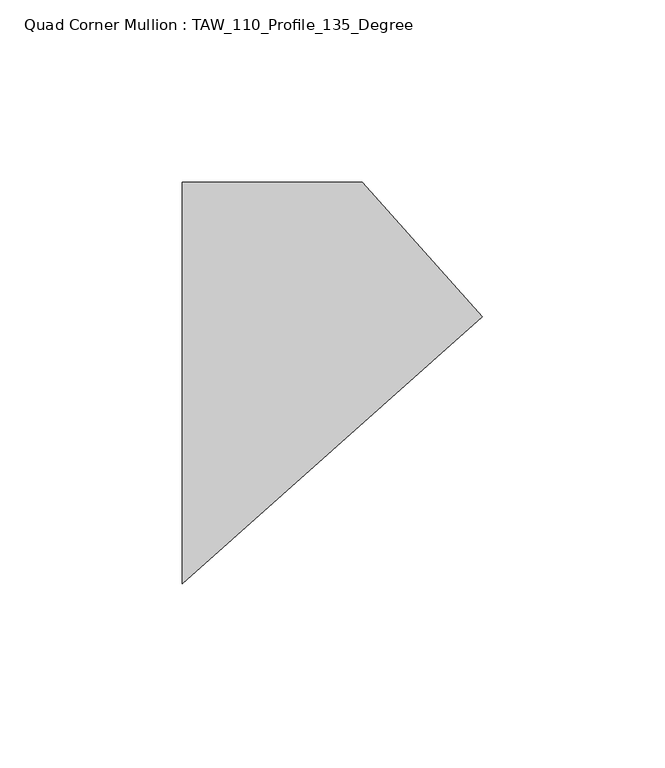
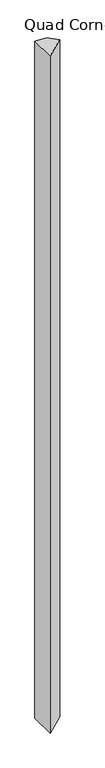
"""IFC4 building model written with IfcOpenShell, lengths in millimetres: member geometry, Quad Corner Mullion : TAW_110_Profile_135_Degree."""

from ifc_helpers import new_model, si_unit, frame, origin, place, context, project, spatial, polyline, outline, extrude, source, transform, mapped, element, save


def quad_corner_mullion_taw_110_profile_135_degree_650cf200(model_context):
    return source(origin(), model_context, "Body", "SweptSolid", [
        extrude(outline(polyline([(57.4972464, 18.1193078), (-24.6828414, -55.0), (-24.6828414, 55.0), (24.6828414, 55.0), (57.4972464, 18.1193078)])), frame((0.0, 0.0, -3000.0), z_axis=(0.0, 0.0, 1.0), x_axis=(1.0, 0.0, 0.0)), (0.0, 0.0, 1.0), 3000.0),
    ])


if __name__ == "__main__":
    model = new_model("IFC4")
    model_context = context("Model", 3, world=origin())
    ifc_project = project(units=[si_unit("LENGTHUNIT", "METRE", prefix="MILLI")], contexts=[model_context])
    site = spatial("IfcSite", under=ifc_project)
    building = spatial("IfcBuilding", under=site)
    placement = place(None, origin())
    quad_corner_mullion_taw_110_profile_135_degree_shape = quad_corner_mullion_taw_110_profile_135_degree_650cf200(model_context)
    element("IfcMember", 1, ObjectType="Quad Corner Mullion : TAW_110_Profile_135_Degree", at=placement, inside=building, context=model_context, shape_type="MappedRepresentation", body=[
        mapped(quad_corner_mullion_taw_110_profile_135_degree_shape, transform((0.0, 0.0, 0.0), x_axis=(1.0, 0.0, 0.0), y_axis=(0.0, 1.0, 0.0), z_axis=(0.0, 0.0, 1.0))),
    ])
    save(model, "model.ifc")
